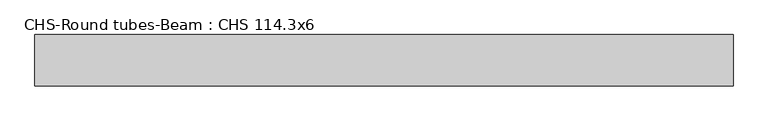
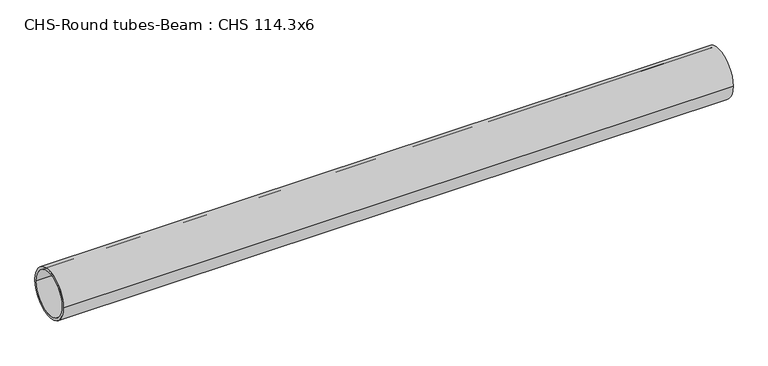
"""IFC4 building model written with IfcOpenShell, lengths in millimetres: beam geometry, CHS-Round tubes-Beam : CHS 114.3x6."""

import ifcopenshell
import ifcopenshell.guid

model = None  # the IFC model being written
_history = None  # IfcOwnerHistory: only IFC2X3 demands one
_inside = {}  # id of a spatial element -> (the spatial element, [elements in it])
_under = {}  # id of a project, library or spatial element -> (it, [spatial elements below it])
_declared = {}  # id of a project -> (the project, [libraries it declares])
_typed = {}  # id of a type object -> (the type object, [elements of that type])
_made_of = {}  # id of a material, layer set ... -> (it, [elements and type objects made of it])


def new_model(schema):
    """Start an empty IFC model of exactly this schema.

    Asked for "IFC4X3", IfcOpenShell would pick the latest addendum, in which some entities
    have other attributes; the version numbers below select the first issue.
    IFC2X3 requires an IfcOwnerHistory on every rooted entity: one is made here for all.
    """
    global model, _history
    if schema == "IFC4X3":
        model = ifcopenshell.file(schema_version=(4, 3, 0, 0))
    else:
        model = ifcopenshell.file(schema=schema)
    _inside.clear()
    _under.clear()
    _declared.clear()
    _typed.clear()
    _made_of.clear()
    _history = None
    if model.schema == "IFC2X3":
        org = make("IfcOrganization", Name="unknown")
        user = make(
            "IfcPersonAndOrganization",
            ThePerson=make("IfcPerson", FamilyName="unknown"),
            TheOrganization=org,
        )
        app = make(
            "IfcApplication",
            ApplicationDeveloper=org,
            Version="unknown",
            ApplicationFullName="unknown",
            ApplicationIdentifier="unknown",
        )
        _history = make(
            "IfcOwnerHistory",
            OwningUser=user,
            OwningApplication=app,
            ChangeAction="ADDED",
            CreationDate=0,
        )
    return model


def make(cls, **values):
    """One entity of the class cls with the attributes given. An attribute that is None is left unset."""
    return model.create_entity(
        cls, **{name: value for name, value in values.items() if value is not None}
    )


def rooted(cls, **values):
    """An entity with a GlobalId (a new one), such as an element, a storey or a relation."""
    return make(cls, GlobalId=ifcopenshell.guid.new(), OwnerHistory=_history, **values)


def si_unit(unit_type, name, prefix=None):
    """IfcSIUnit, for example si_unit("LENGTHUNIT", "METRE", prefix="MILLI")."""
    return make("IfcSIUnit", UnitType=unit_type, Prefix=prefix, Name=name)


def assignment(units):
    """IfcUnitAssignment: the units of a project."""
    return None if units is None else make("IfcUnitAssignment", Units=units)


def point(xyz):
    """IfcCartesianPoint."""
    return None if xyz is None else make("IfcCartesianPoint", Coordinates=xyz)


def direction(xyz):
    """IfcDirection."""
    return None if xyz is None else make("IfcDirection", DirectionRatios=xyz)


def frame(location, z_axis=None, x_axis=None):
    """IfcAxis2Placement3D, a coordinate frame: its origin and axes. An axis left out is left unset."""
    return make(
        "IfcAxis2Placement3D",
        Location=point(location),
        Axis=direction(z_axis),
        RefDirection=direction(x_axis),
    )


def frame_2d(location, x_axis=None):
    """IfcAxis2Placement2D, a coordinate frame in the plane: its origin and x axis."""
    return make(
        "IfcAxis2Placement2D", Location=point(location), RefDirection=direction(x_axis)
    )


def origin():
    """The frame at (0, 0, 0) with its axes left unset."""
    return frame((0.0, 0.0, 0.0))


def origin_2d():
    """The frame at (0, 0) in the plane with its x axis left unset."""
    return frame_2d((0.0, 0.0))


def place(relative_to, where):
    """IfcLocalPlacement: puts the frame where relative to a parent placement (None: the world)."""
    return make(
        "IfcLocalPlacement", PlacementRelTo=relative_to, RelativePlacement=where
    )


def context(
    kind, dimensions, precision=None, world=None, true_north=None, identifier=None
):
    """IfcGeometricRepresentationContext, for example the 3D "Model" context."""
    return make(
        "IfcGeometricRepresentationContext",
        ContextIdentifier=identifier,
        ContextType=kind,
        CoordinateSpaceDimension=dimensions,
        Precision=precision,
        WorldCoordinateSystem=world,
        TrueNorth=true_north,
    )


def project(units=None, contexts=None):
    """IfcProject with its units and contexts."""
    return rooted(
        "IfcProject",
        Name="project",
        RepresentationContexts=contexts,
        UnitsInContext=assignment(units),
    )


def spatial(cls, under=None, at=None, **own):
    """A site, building, storey or space (cls), placed at a placement, below another one or the project."""
    s = rooted(cls, ObjectPlacement=at, **own)
    if under is not None:
        _under.setdefault(under.id(), (under, []))[1].append(s)
    return s


def circle_curve(where, radius):
    """IfcCircle in the frame where."""
    return make("IfcCircle", Position=where, Radius=radius)


def trimmed(basis, trim1, trim2, sense, master):
    """IfcTrimmedCurve: the piece of a basis curve between two trims."""
    return make(
        "IfcTrimmedCurve",
        BasisCurve=basis,
        Trim1=trim1,
        Trim2=trim2,
        SenseAgreement=sense,
        MasterRepresentation=master,
    )


def segment(curve, same_sense, transition):
    """IfcCompositeCurveSegment."""
    return make(
        "IfcCompositeCurveSegment",
        Transition=transition,
        SameSense=same_sense,
        ParentCurve=curve,
    )


def composite_curve(segments, self_intersect=None):
    """IfcCompositeCurve: segments joined end to end."""
    return make("IfcCompositeCurve", Segments=segments, SelfIntersect=self_intersect)


def outline(outer, holes=None, kind="AREA"):
    """IfcArbitraryClosedProfileDef: a profile drawn as a closed curve; with holes, ...WithVoids."""
    if holes is None:
        return make("IfcArbitraryClosedProfileDef", ProfileType=kind, OuterCurve=outer)
    return make(
        "IfcArbitraryProfileDefWithVoids",
        ProfileType=kind,
        OuterCurve=outer,
        InnerCurves=holes,
    )


def extrude(swept, where, along, depth):
    """IfcExtrudedAreaSolid: the profile swept, set in the frame where, extruded along a direction by depth."""
    return make(
        "IfcExtrudedAreaSolid",
        SweptArea=swept,
        Position=where,
        ExtrudedDirection=direction(along),
        Depth=depth,
    )


def shape(context_of_items, identifier, shape_type, items):
    """IfcShapeRepresentation: the items that make up one representation, for example the "Body"."""
    return make(
        "IfcShapeRepresentation",
        ContextOfItems=context_of_items,
        RepresentationIdentifier=identifier,
        RepresentationType=shape_type,
        Items=items,
    )


def source(mapping_origin, context_of_items, identifier, shape_type, items):
    """IfcRepresentationMap: a shape defined once, which mapped items show again and again."""
    return make(
        "IfcRepresentationMap",
        MappingOrigin=mapping_origin,
        MappedRepresentation=shape(context_of_items, identifier, shape_type, items),
    )


def transform(
    local_origin,
    x_axis=None,
    y_axis=None,
    z_axis=None,
    scale=None,
    scale2=None,
    scale3=None,
    uniform=True,
):
    """IfcCartesianTransformationOperator3D, or its non-uniform kind. x_axis, y_axis, z_axis: its Axis1, 2, 3."""
    if uniform:
        return make(
            "IfcCartesianTransformationOperator3D",
            Axis1=direction(x_axis),
            Axis2=direction(y_axis),
            LocalOrigin=point(local_origin),
            Scale=scale,
            Axis3=direction(z_axis),
        )
    return make(
        "IfcCartesianTransformationOperator3DnonUniform",
        Axis1=direction(x_axis),
        Axis2=direction(y_axis),
        LocalOrigin=point(local_origin),
        Scale=scale,
        Axis3=direction(z_axis),
        Scale2=scale2,
        Scale3=scale3,
    )


def mapped(mapping_source, mapping_target):
    """IfcMappedItem: shows the shape of a source again, moved by a transform."""
    return make(
        "IfcMappedItem", MappingSource=mapping_source, MappingTarget=mapping_target
    )


def made_of(thing, what):
    """Note that an element or type object is made of a material, layer set ...; save() writes the relation."""
    if what is not None:
        _made_of.setdefault(what.id(), (what, []))[1].append(thing)
    return thing


def element(
    cls,
    number,
    at=None,
    inside=None,
    cuts=None,
    type_object=None,
    material=None,
    context=None,
    identifier="Body",
    shape_type=None,
    held_by="IfcProductDefinitionShape",
    body=None,
    shapes=None,
    **own,
):
    """One element of the class cls, such as IfcWall. Its Tag is "e" and its number.

    at: its placement. inside: the storey or other place that contains it. cuts: it is an
    opening in that element (IfcRelVoidsElement). A single representation is given by context,
    identifier, shape_type and body (its items); several are given by shapes. held_by: the class
    of the entity that holds the representations. save() writes the other relations.
    """
    e = rooted(cls, Tag="e%d" % number, ObjectPlacement=at, **own)
    if body is not None:
        shapes = [shape(context, identifier, shape_type, body)]
    if shapes is not None:
        e.Representation = make(held_by, Representations=shapes)
    if inside is not None:
        _inside.setdefault(inside.id(), (inside, []))[1].append(e)
    if cuts is not None:
        rooted(
            "IfcRelVoidsElement", RelatingBuildingElement=cuts, RelatedOpeningElement=e
        )
    if type_object is not None:
        _typed.setdefault(type_object.id(), (type_object, []))[1].append(e)
    return made_of(e, material)


def aggregate(whole, parts):
    """IfcRelAggregates: a whole, such as a stair, and the parts it consists of."""
    return rooted("IfcRelAggregates", RelatingObject=whole, RelatedObjects=parts)


def save(model, path):
    """Write the relations noted so far, then the file.

    IfcRelAggregates (storeys below a building ...), IfcRelContainedInSpatialStructure (elements
    in a storey), IfcRelDefinesByType, IfcRelAssociatesMaterial and IfcRelDeclares: one each for
    every whole, place, type object, material and project.
    """
    for whole, parts in _under.values():
        aggregate(whole, parts)
    for where, things in _inside.values():
        rooted(
            "IfcRelContainedInSpatialStructure",
            RelatedElements=things,
            RelatingStructure=where,
        )
    for kind, things in _typed.values():
        rooted("IfcRelDefinesByType", RelatedObjects=things, RelatingType=kind)
    for what, things in _made_of.values():
        rooted("IfcRelAssociatesMaterial", RelatedObjects=things, RelatingMaterial=what)
    for by, libraries in _declared.values():
        rooted("IfcRelDeclares", RelatingContext=by, RelatedDefinitions=libraries)
    model.write(path)


def chs_round_tubes_beam_chs_114_3x6_3caa6f60(model_context):
    return source(origin(), model_context, "Body", "SweptSolid", [
        extrude(outline(composite_curve([segment(trimmed(circle_curve(origin_2d(), 57.15), [point((57.15, 0.0))], [point((-57.15, 0.0))], False, "CARTESIAN"), True, "CONTINUOUS"), segment(trimmed(circle_curve(origin_2d(), 57.15), [point((-57.15, 0.0))], [point((57.15, 0.0))], False, "CARTESIAN"), True, "CONTINUOUS")], self_intersect=False), holes=[composite_curve([segment(trimmed(circle_curve(origin_2d(), 51.15), [point((51.15, 0.0))], [point((-51.15, 0.0))], True, "CARTESIAN"), True, "CONTINUOUS"), segment(trimmed(circle_curve(origin_2d(), 51.15), [point((-51.15, 0.0))], [point((51.15, 0.0))], True, "CARTESIAN"), True, "CONTINUOUS")], self_intersect=False)]), frame((-750.7261229, 0.0, 0.0), z_axis=(1.0, 0.0, 0.0), x_axis=(0.0, 1.0, 0.0)), (0.0, 0.0, 1.0), 1554.9637795),
    ])


if __name__ == "__main__":
    model = new_model("IFC4")
    model_context = context("Model", 3, world=origin())
    ifc_project = project(units=[si_unit("LENGTHUNIT", "METRE", prefix="MILLI")], contexts=[model_context])
    site = spatial("IfcSite", under=ifc_project)
    building = spatial("IfcBuilding", under=site)
    placement = place(None, origin())
    chs_round_tubes_beam_chs_114_3x6_shape = chs_round_tubes_beam_chs_114_3x6_3caa6f60(model_context)
    element("IfcBeam", 1, ObjectType="CHS-Round tubes-Beam : CHS 114.3x6", at=placement, inside=building, context=model_context, shape_type="MappedRepresentation", body=[
        mapped(chs_round_tubes_beam_chs_114_3x6_shape, transform((0.0, 0.0, 0.0), x_axis=(1.0, 0.0, 0.0), y_axis=(0.0, 1.0, 0.0), z_axis=(0.0, 0.0, 1.0))),
    ])
    save(model, "model.ifc")
